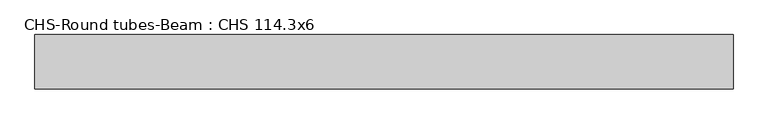
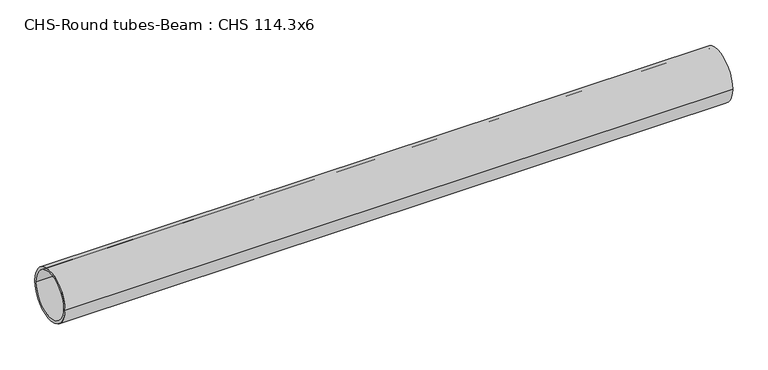
"""IFC4 building model written with IfcOpenShell, lengths in millimetres: beam geometry, CHS-Round tubes-Beam : CHS 114.3x6."""

import ifcopenshell
import ifcopenshell.guid

model = None  # the IFC model being written
_history = None  # IfcOwnerHistory: only IFC2X3 demands one
_inside = {}  # id of a spatial element -> (the spatial element, [elements in it])
_under = {}  # id of a project, library or spatial element -> (it, [spatial elements below it])
_declared = {}  # id of a project -> (the project, [libraries it declares])
_typed = {}  # id of a type object -> (the type object, [elements of that type])
_made_of = {}  # id of a material, layer set ... -> (it, [elements and type objects made of it])


def new_model(schema):
    """Start an empty IFC model of exactly this schema.

    Asked for "IFC4X3", IfcOpenShell would pick the latest addendum, in which some entities
    have other attributes; the version numbers below select the first issue.
    IFC2X3 requires an IfcOwnerHistory on every rooted entity: one is made here for all.
    """
    global model, _history
    if schema == "IFC4X3":
        model = ifcopenshell.file(schema_version=(4, 3, 0, 0))
    else:
        model = ifcopenshell.file(schema=schema)
    _inside.clear()
    _under.clear()
    _declared.clear()
    _typed.clear()
    _made_of.clear()
    _history = None
    if model.schema == "IFC2X3":
        org = make("IfcOrganization", Name="unknown")
        user = make(
            "IfcPersonAndOrganization",
            ThePerson=make("IfcPerson", FamilyName="unknown"),
            TheOrganization=org,
        )
        app = make(
            "IfcApplication",
            ApplicationDeveloper=org,
            Version="unknown",
            ApplicationFullName="unknown",
            ApplicationIdentifier="unknown",
        )
        _history = make(
            "IfcOwnerHistory",
            OwningUser=user,
            OwningApplication=app,
            ChangeAction="ADDED",
            CreationDate=0,
        )
    return model


def make(cls, **values):
    """One entity of the class cls with the attributes given. An attribute that is None is left unset."""
    return model.create_entity(
        cls, **{name: value for name, value in values.items() if value is not None}
    )


def rooted(cls, **values):
    """An entity with a GlobalId (a new one), such as an element, a storey or a relation."""
    return make(cls, GlobalId=ifcopenshell.guid.new(), OwnerHistory=_history, **values)


def si_unit(unit_type, name, prefix=None):
    """IfcSIUnit, for example si_unit("LENGTHUNIT", "METRE", prefix="MILLI")."""
    return make("IfcSIUnit", UnitType=unit_type, Prefix=prefix, Name=name)


def assignment(units):
    """IfcUnitAssignment: the units of a project."""
    return None if units is None else make("IfcUnitAssignment", Units=units)


def point(xyz):
    """IfcCartesianPoint."""
    return None if xyz is None else make("IfcCartesianPoint", Coordinates=xyz)


def direction(xyz):
    """IfcDirection."""
    return None if xyz is None else make("IfcDirection", DirectionRatios=xyz)


def frame(location, z_axis=None, x_axis=None):
    """IfcAxis2Placement3D, a coordinate frame: its origin and axes. An axis left out is left unset."""
    return make(
        "IfcAxis2Placement3D",
        Location=point(location),
        Axis=direction(z_axis),
        RefDirection=direction(x_axis),
    )


def frame_2d(location, x_axis=None):
    """IfcAxis2Placement2D, a coordinate frame in the plane: its origin and x axis."""
    return make(
        "IfcAxis2Placement2D", Location=point(location), RefDirection=direction(x_axis)
    )


def origin():
    """The frame at (0, 0, 0) with its axes left unset."""
    return frame((0.0, 0.0, 0.0))


def origin_2d():
    """The frame at (0, 0) in the plane with its x axis left unset."""
    return frame_2d((0.0, 0.0))


def place(relative_to, where):
    """IfcLocalPlacement: puts the frame where relative to a parent placement (None: the world)."""
    return make(
        "IfcLocalPlacement", PlacementRelTo=relative_to, RelativePlacement=where
    )


def context(
    kind, dimensions, precision=None, world=None, true_north=None, identifier=None
):
    """IfcGeometricRepresentationContext, for example the 3D "Model" context."""
    return make(
        "IfcGeometricRepresentationContext",
        ContextIdentifier=identifier,
        ContextType=kind,
        CoordinateSpaceDimension=dimensions,
        Precision=precision,
        WorldCoordinateSystem=world,
        TrueNorth=true_north,
    )


def project(units=None, contexts=None):
    """IfcProject with its units and contexts."""
    return rooted(
        "IfcProject",
        Name="project",
        RepresentationContexts=contexts,
        UnitsInContext=assignment(units),
    )


def spatial(cls, under=None, at=None, **own):
    """A site, building, storey or space (cls), placed at a placement, below another one or the project."""
    s = rooted(cls, ObjectPlacement=at, **own)
    if under is not None:
        _under.setdefault(under.id(), (under, []))[1].append(s)
    return s


def circle_curve(where, radius):
    """IfcCircle in the frame where."""
    return make("IfcCircle", Position=where, Radius=radius)


def trimmed(basis, trim1, trim2, sense, master):
    """IfcTrimmedCurve: the piece of a basis curve between two trims."""
    return make(
        "IfcTrimmedCurve",
        BasisCurve=basis,
        Trim1=trim1,
        Trim2=trim2,
        SenseAgreement=sense,
        MasterRepresentation=master,
    )


def segment(curve, same_sense, transition):
    """IfcCompositeCurveSegment."""
    return make(
        "IfcCompositeCurveSegment",
        Transition=transition,
        SameSense=same_sense,
        ParentCurve=curve,
    )


def composite_curve(segments, self_intersect=None):
    """IfcCompositeCurve: segments joined end to end."""
    return make("IfcCompositeCurve", Segments=segments, SelfIntersect=self_intersect)


def outline(outer, holes=None, kind="AREA"):
    """IfcArbitraryClosedProfileDef: a profile drawn as a closed curve; with holes, ...WithVoids."""
    if holes is None:
        return make("IfcArbitraryClosedProfileDef", ProfileType=kind, OuterCurve=outer)
    return make(
        "IfcArbitraryProfileDefWithVoids",
        ProfileType=kind,
        OuterCurve=outer,
        InnerCurves=holes,
    )


def extrude(swept, where, along, depth):
    """IfcExtrudedAreaSolid: the profile swept, set in the frame where, extruded along a direction by depth."""
    return make(
        "IfcExtrudedAreaSolid",
        SweptArea=swept,
        Position=where,
        ExtrudedDirection=direction(along),
        Depth=depth,
    )


def shape(context_of_items, identifier, shape_type, items):
    """IfcShapeRepresentation: the items that make up one representation, for example the "Body"."""
    return make(
        "IfcShapeRepresentation",
        ContextOfItems=context_of_items,
        RepresentationIdentifier=identifier,
        RepresentationType=shape_type,
        Items=items,
    )


def source(mapping_origin, context_of_items, identifier, shape_type, items):
    """IfcRepresentationMap: a shape defined once, which mapped items show again and again."""
    return make(
        "IfcRepresentationMap",
        MappingOrigin=mapping_origin,
        MappedRepresentation=shape(context_of_items, identifier, shape_type, items),
    )


def transform(
    local_origin,
    x_axis=None,
    y_axis=None,
    z_axis=None,
    scale=None,
    scale2=None,
    scale3=None,
    uniform=True,
):
    """IfcCartesianTransformationOperator3D, or its non-uniform kind. x_axis, y_axis, z_axis: its Axis1, 2, 3."""
    if uniform:
        return make(
            "IfcCartesianTransformationOperator3D",
            Axis1=direction(x_axis),
            Axis2=direction(y_axis),
            LocalOrigin=point(local_origin),
            Scale=scale,
            Axis3=direction(z_axis),
        )
    return make(
        "IfcCartesianTransformationOperator3DnonUniform",
        Axis1=direction(x_axis),
        Axis2=direction(y_axis),
        LocalOrigin=point(local_origin),
        Scale=scale,
        Axis3=direction(z_axis),
        Scale2=scale2,
        Scale3=scale3,
    )


def mapped(mapping_source, mapping_target):
    """IfcMappedItem: shows the shape of a source again, moved by a transform."""
    return make(
        "IfcMappedItem", MappingSource=mapping_source, MappingTarget=mapping_target
    )


def made_of(thing, what):
    """Note that an element or type object is made of a material, layer set ...; save() writes the relation."""
    if what is not None:
        _made_of.setdefault(what.id(), (what, []))[1].append(thing)
    return thing


def element(
    cls,
    number,
    at=None,
    inside=None,
    cuts=None,
    type_object=None,
    material=None,
    context=None,
    identifier="Body",
    shape_type=None,
    held_by="IfcProductDefinitionShape",
    body=None,
    shapes=None,
    **own,
):
    """One element of the class cls, such as IfcWall. Its Tag is "e" and its number.

    at: its placement. inside: the storey or other place that contains it. cuts: it is an
    opening in that element (IfcRelVoidsElement). A single representation is given by context,
    identifier, shape_type and body (its items); several are given by shapes. held_by: the class
    of the entity that holds the representations. save() writes the other relations.
    """
    e = rooted(cls, Tag="e%d" % number, ObjectPlacement=at, **own)
    if body is not None:
        shapes = [shape(context, identifier, shape_type, body)]
    if shapes is not None:
        e.Representation = make(held_by, Representations=shapes)
    if inside is not None:
        _inside.setdefault(inside.id(), (inside, []))[1].append(e)
    if cuts is not None:
        rooted(
            "IfcRelVoidsElement", RelatingBuildingElement=cuts, RelatedOpeningElement=e
        )
    if type_object is not None:
        _typed.setdefault(type_object.id(), (type_object, []))[1].append(e)
    return made_of(e, material)


def aggregate(whole, parts):
    """IfcRelAggregates: a whole, such as a stair, and the parts it consists of."""
    return rooted("IfcRelAggregates", RelatingObject=whole, RelatedObjects=parts)


def save(model, path):
    """Write the relations noted so far, then the file.

    IfcRelAggregates (storeys below a building ...), IfcRelContainedInSpatialStructure (elements
    in a storey), IfcRelDefinesByType, IfcRelAssociatesMaterial and IfcRelDeclares: one each for
    every whole, place, type object, material and project.
    """
    for whole, parts in _under.values():
        aggregate(whole, parts)
    for where, things in _inside.values():
        rooted(
            "IfcRelContainedInSpatialStructure",
            RelatedElements=things,
            RelatingStructure=where,
        )
    for kind, things in _typed.values():
        rooted("IfcRelDefinesByType", RelatedObjects=things, RelatingType=kind)
    for what, things in _made_of.values():
        rooted("IfcRelAssociatesMaterial", RelatedObjects=things, RelatingMaterial=what)
    for by, libraries in _declared.values():
        rooted("IfcRelDeclares", RelatingContext=by, RelatedDefinitions=libraries)
    model.write(path)


def chs_round_tubes_beam_chs_114_3x6_8a744272(model_context):
    return source(origin(), model_context, "Body", "SweptSolid", [
        extrude(outline(composite_curve([segment(trimmed(circle_curve(origin_2d(), 57.15), [point((57.15, 0.0))], [point((-57.15, 0.0))], False, "CARTESIAN"), True, "CONTINUOUS"), segment(trimmed(circle_curve(origin_2d(), 57.15), [point((-57.15, 0.0))], [point((57.15, 0.0))], False, "CARTESIAN"), True, "CONTINUOUS")], self_intersect=False), holes=[composite_curve([segment(trimmed(circle_curve(origin_2d(), 51.15), [point((51.15, 0.0))], [point((-51.15, 0.0))], True, "CARTESIAN"), True, "CONTINUOUS"), segment(trimmed(circle_curve(origin_2d(), 51.15), [point((-51.15, 0.0))], [point((51.15, 0.0))], True, "CARTESIAN"), True, "CONTINUOUS")], self_intersect=False)]), frame((-744.4667101, 0.0, 0.0), z_axis=(1.0, 0.0, 0.0), x_axis=(0.0, 1.0, 0.0)), (0.0, 0.0, 1.0), 1469.100709),
    ])


if __name__ == "__main__":
    model = new_model("IFC4")
    model_context = context("Model", 3, world=origin())
    ifc_project = project(units=[si_unit("LENGTHUNIT", "METRE", prefix="MILLI")], contexts=[model_context])
    site = spatial("IfcSite", under=ifc_project)
    building = spatial("IfcBuilding", under=site)
    placement = place(None, origin())
    chs_round_tubes_beam_chs_114_3x6_shape = chs_round_tubes_beam_chs_114_3x6_8a744272(model_context)
    element("IfcBeam", 1, ObjectType="CHS-Round tubes-Beam : CHS 114.3x6", at=placement, inside=building, context=model_context, shape_type="MappedRepresentation", body=[
        mapped(chs_round_tubes_beam_chs_114_3x6_shape, transform((0.0, 0.0, 0.0), x_axis=(1.0, 0.0, 0.0), y_axis=(0.0, 1.0, 0.0), z_axis=(0.0, 0.0, 1.0))),
    ])
    save(model, "model.ifc")
